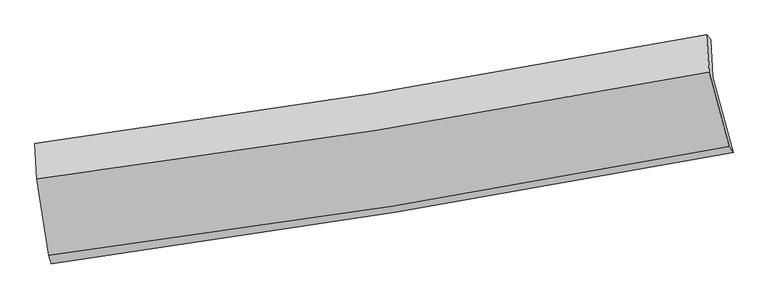
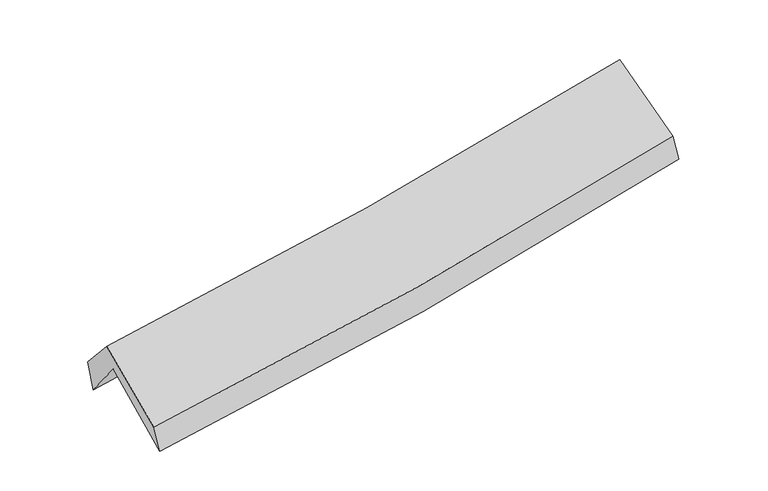
"""IFC4 building model written with IfcOpenShell, lengths in millimetres: proxy geometry."""

from ifc_helpers import new_model, si_unit, frame, origin, place, context, project, spatial, source, transform, mapped, element, save
from ifc_brep_helpers import plane_surface, spline_curve, spline_surface, advanced_brep


def generic_models_2873cad7(model_context):
    return source(origin(), model_context, "Body", "AdvancedBrep", [
        advanced_brep(
        [(-2221.9034408, -2463.943824, 1506.0271552), (-2302.7377716, -1954.1747755, 1922.5032554), (2235.4449651, -1202.2145765, 2338.1840766), (2374.1810625, -1711.0885855, 1919.9542348), (-2315.1084077, -1701.3639317, 1597.9624483), (2223.0857413, -949.6369571, 2013.9426667), (-2332.0242468, -1650.7887117, 1809.7355098), (2195.0517177, -918.2266955, 2223.0257222), (-2318.4067294, -1891.4091324, 2083.3069035), (2213.2259424, -1171.1759223, 2493.181216), (-2237.5025882, -2407.0542645, 1678.5457339), (2347.7375077, -1673.4216747, 2103.1533575)],
        [
            (0, 1),
            (1, 2, spline_curve(3, [(-2302.7377716, -1954.1747755, 1922.5032554), (-1539.984068213, -1843.639129267, 1969.350869183), (-779.583942309, -1725.550801171, 2027.517576651), (733.122654931, -1474.830070512, 2166.178758639), (1485.450107942, -1342.264998831, 2246.572324571), (2235.4449651, -1202.2145765, 2338.1840766)], [4, 2, 4], [0.0, 7.642276299869668, 15.250411468111574])),
            (2, 3),
            (3, 0, spline_curve(3, [(2374.1810625, -1711.0885855, 1919.9542348), (1615.573292673, -1856.714755731, 1824.204027248), (854.126175325, -1992.148195564, 1741.882092498), (-677.876452371, -2243.191625947, 1603.785611388), (-1448.457502772, -2358.709932055, 1548.131853092), (-2221.9034408, -2463.943824, 1506.0271552)], [4, 2, 4], [0.0, 7.6081351682419065, 15.250411468111574])),
            (1, 4),
            (4, 5, spline_curve(3, [(-2315.1084077, -1701.3639317, 1597.9624483), (-1552.043858878, -1597.180835246, 1652.965019399), (-791.487702954, -1482.281193684, 1715.225138845), (721.22131815, -1231.609999302, 1853.949911684), (1473.396545227, -1095.933982538, 1930.349864878), (2223.0857413, -949.6369571, 2013.9426667)], [4, 2, 4], [0.0, 7.595025776835598, 15.156121509193794])),
            (5, 2),
            (4, 6),
            (6, 7, spline_curve(3, [(-2332.0242468, -1650.7887117, 1809.7355098), (-1571.340012599, -1548.228788096, 1865.239732802), (-812.902017791, -1435.743154856, 1927.524944988), (696.103278924, -1191.467329802, 2065.348800426), (1446.690605701, -1059.765624402, 2140.82699261), (2195.0517177, -918.2266955, 2223.0257222)], [4, 2, 4], [0.0, 7.5831935664400865, 15.132509947660498])),
            (7, 5),
            (6, 8),
            (8, 9, spline_curve(3, [(-2318.4067294, -1891.4091324, 2083.3069035), (-1556.553366636, -1792.88491766, 2134.566284269), (-797.150688802, -1683.444627407, 2194.44789234), (713.371687844, -1443.26957544, 2331.149529188), (1464.513233713, -1312.632129125, 2407.892691893), (2213.2259424, -1171.1759223, 2493.181216)], [4, 2, 4], [0.0, 7.573405524260108, 15.112977590434099])),
            (9, 7),
            (8, 10),
            (10, 11, spline_curve(3, [(-2237.5025882, -2407.0542645, 1678.5457339), (-1465.891185071, -2310.198840422, 1731.371538426), (-697.133100284, -2200.469457472, 1793.267884461), (831.254828273, -1955.810491324, 1934.884621421), (1590.910108406, -1820.995677837, 2014.524149936), (2347.7375077, -1673.4216747, 2103.1533575)], [4, 2, 4], [0.0, 7.621802414765218, 15.209555163007948])),
            (11, 9),
            (10, 0),
            (3, 11),
        ],
        [
            spline_surface(3, 3, [[(-2221.9034408, -2463.943824, 1506.0271552), (-1448.457502766, -2358.709932143, 1548.131853034), (-677.876452386, -2243.19162584, 1603.785611432), (854.126175339, -1992.148195671, 1741.882092454), (1615.573292727, -1856.714755802, 1824.204027277), (2374.1810625, -1711.0885855, 1919.9542348)], [(-2248.848217725, -2294.020807829, 1644.852521917), (-1478.966357894, -2187.019664508, 1688.538191721), (-711.778949005, -2070.644684299, 1745.02959985), (813.791668515, -1819.708820625, 1883.314314454), (1572.198897771, -1685.231503495, 1964.993459734), (2327.935696706, -1541.463915828, 2059.364182081)], [(-2275.792994675, -2124.097791671, 1783.677888683), (-1509.475213045, -2015.329396886, 1828.944530458), (-745.681445624, -1898.097742724, 1886.273588343), (773.45716169, -1647.269445545, 2024.746536529), (1528.824502796, -1513.748251204, 2105.78289215), (2281.690330894, -1371.839246172, 2198.774129319)], [(-2302.7377716, -1954.1747755, 1922.5032554), (-1539.984068173, -1843.639129251, 1969.350869145), (-779.583942244, -1725.550801184, 2027.517576761), (733.122654866, -1474.830070499, 2166.178758529), (1485.450107841, -1342.264998897, 2246.572324607), (2235.4449651, -1202.2145765, 2338.1840766)]], [4, 4], [4, 2, 4], [0.0, 2.2250848213119454], [0.0, 7.642276299869668, 15.250411468111574]),
            spline_surface(3, 3, [[(-2302.7377716, -1954.1747755, 1922.5032554), (-1539.984068173, -1843.639129251, 1969.350869145), (-779.583942244, -1725.550801184, 2027.517576761), (733.122654866, -1474.830070499, 2166.178758529), (1485.450107841, -1342.264998897, 2246.572324607), (2235.4449651, -1202.2145765, 2338.1840766)], [(-2306.861316962, -1869.904494233, 1814.322986379), (-1544.00399841, -1761.486364569, 1863.888919209), (-783.551862473, -1644.460932044, 1923.420097477), (729.15554261, -1393.756713392, 2062.102476235), (1481.432253602, -1260.154660069, 2141.164838004), (2231.325223813, -1118.022036696, 2230.103606611)], [(-2310.984862338, -1785.634212967, 1706.142717321), (-1548.023928662, -1679.333599889, 1758.426969234), (-787.519782687, -1563.371062925, 1819.32261818), (725.188430369, -1312.683356308, 1958.026193926), (1477.414399423, -1178.044321253, 2035.757351468), (2227.205482587, -1033.829496904, 2122.023136689)], [(-2315.1084077, -1701.3639317, 1597.9624483), (-1552.043858899, -1597.180835206, 1652.965019298), (-791.487702916, -1482.281193785, 1715.225138896), (721.221318112, -1231.609999201, 1853.949911632), (1473.396545184, -1095.933982425, 1930.349864864), (2223.0857413, -949.6369571, 2013.9426667)]], [4, 4], [4, 2, 4], [0.0, 1.299215230408942], [0.0, 7.595025776835598, 15.156121509193794]),
            spline_surface(3, 3, [[(-2315.1084077, -1701.3639317, 1597.9624483), (-1552.043858899, -1597.180835206, 1652.965019298), (-791.487702916, -1482.281193785, 1715.225138896), (721.221318112, -1231.609999201, 1853.949911632), (1473.396545184, -1095.933982425, 1930.349864864), (2223.0857413, -949.6369571, 2013.9426667)], [(-2320.747020764, -1684.505525053, 1668.553468808), (-1558.475910125, -1580.863486184, 1723.723257142), (-798.625807883, -1466.768514154, 1785.991740906), (712.848638348, -1218.229109441, 1924.416207931), (1464.494565345, -1083.877863086, 2000.508907437), (2213.741066788, -939.166869889, 2083.637018529)], [(-2326.385633736, -1667.647118347, 1739.144489292), (-1564.907961258, -1564.546137104, 1794.481494961), (-805.763912785, -1451.255834445, 1856.758342897), (704.475958649, -1204.848219604, 1994.882504209), (1455.592585444, -1071.82174378, 2070.667950022), (2204.396392212, -928.696782711, 2153.331370371)], [(-2332.0242468, -1650.7887117, 1809.7355098), (-1571.340012483, -1548.228788081, 1865.239732805), (-812.902017752, -1435.743154814, 1927.524944907), (696.103278885, -1191.467329844, 2065.348800507), (1446.690605605, -1059.765624441, 2140.826992594), (2195.0517177, -918.2266955, 2223.0257222)]], [4, 4], [4, 2, 4], [0.0, 0.7135472516548643], [0.0, 7.5831935664400865, 15.132509947660498]),
            spline_surface(3, 3, [[(-2332.0242468, -1650.7887117, 1809.7355098), (-1571.340012483, -1548.228788081, 1865.239732805), (-812.902017752, -1435.743154814, 1927.524944907), (696.103278885, -1191.467329844, 2065.348800507), (1446.690605605, -1059.765624441, 2140.826992594), (2195.0517177, -918.2266955, 2223.0257222)], [(-2327.485074325, -1730.995518591, 1900.925974356), (-1566.411130531, -1629.780831293, 1955.015249961), (-807.651574718, -1518.310312313, 2016.499260761), (701.859415193, -1275.40141171, 2153.949043392), (1452.631481638, -1144.054459376, 2229.848892356), (2201.109792595, -1002.543104456, 2313.077553483)], [(-2322.945901875, -1811.202325509, 1992.116438944), (-1561.482248603, -1711.332874534, 2044.79076715), (-802.401131742, -1600.877469859, 2105.473576565), (707.615551443, -1359.335493623, 2242.549286224), (1458.572357687, -1228.343294241, 2318.870792069), (2207.167867505, -1086.859513344, 2403.129384717)], [(-2318.4067294, -1891.4091324, 2083.3069035), (-1556.55336665, -1792.884917746, 2134.566284307), (-797.150688708, -1683.444627358, 2194.447892419), (713.371687751, -1443.269575489, 2331.149529109), (1464.51323372, -1312.632129176, 2407.892691831), (2213.2259424, -1171.1759223, 2493.181216)]], [4, 4], [4, 2, 4], [0.0, 1.199163109820244], [0.0, 7.573405524260108, 15.112977590434099]),
            spline_surface(3, 3, [[(-2318.4067294, -1891.4091324, 2083.3069035), (-1556.55336665, -1792.884917746, 2134.566284307), (-797.150688708, -1683.444627358, 2194.447892419), (713.371687751, -1443.269575489, 2331.149529109), (1464.51323372, -1312.632129176, 2407.892691831), (2213.2259424, -1171.1759223, 2493.181216)], [(-2291.438682331, -2063.290843109, 1948.386513639), (-1526.332639497, -1965.322892004, 2000.168035692), (-763.811492546, -1855.786237366, 2060.721223078), (752.666067891, -1614.116547447, 2199.061226552), (1506.645525302, -1482.086645412, 2276.769844568), (2258.063130819, -1338.591173093, 2363.17192984)], [(-2264.470635269, -2235.172553791, 1813.466123761), (-1496.111912349, -2137.760866237, 1865.769787061), (-730.472296364, -2028.1278474, 1926.99455376), (791.960448051, -1784.963519431, 2066.972924019), (1548.777816929, -1651.541161669, 2145.646997284), (2302.900319281, -1506.006423907, 2233.16264366)], [(-2237.5025882, -2407.0542645, 1678.5457339), (-1465.891185195, -2310.198840495, 1731.371538446), (-697.133100202, -2200.469457408, 1793.267884419), (831.254828192, -1955.810491388, 1934.884621462), (1590.910108511, -1820.995677905, 2014.524150022), (2347.7375077, -1673.4216747, 2103.1533575)]], [4, 4], [4, 2, 4], [0.0, 2.1660043019230613], [0.0, 7.621802414765218, 15.209555163007948]),
            spline_surface(3, 3, [[(-2237.5025882, -2407.0542645, 1678.5457339), (-1465.891185195, -2310.198840495, 1731.371538446), (-697.133100202, -2200.469457408, 1793.267884419), (831.254828192, -1955.810491388, 1934.884621462), (1590.910108511, -1820.995677905, 2014.524150022), (2347.7375077, -1673.4216747, 2103.1533575)], [(-2232.302872392, -2426.017450987, 1621.039541001), (-1460.079957711, -2326.369204364, 1670.29164331), (-690.714217583, -2214.710180213, 1730.107126761), (838.878610588, -1967.923059477, 1870.550445131), (1599.131169929, -1832.902037208, 1951.084109096), (2356.55202598, -1685.977311638, 2042.086983256)], [(-2227.103156608, -2444.980637513, 1563.533348099), (-1454.26873025, -2342.539568273, 1609.211748171), (-684.295335005, -2228.950903035, 1666.94636909), (846.502392943, -1980.035627582, 1806.216268786), (1607.352231308, -1844.808396499, 1887.644068202), (2365.36654422, -1698.532948562, 1981.020609044)], [(-2221.9034408, -2463.943824, 1506.0271552), (-1448.457502766, -2358.709932143, 1548.131853034), (-677.876452386, -2243.19162584, 1603.785611432), (854.126175339, -1992.148195671, 1741.882092454), (1615.573292727, -1856.714755802, 1824.204027277), (2374.1810625, -1711.0885855, 1919.9542348)]], [4, 4], [4, 2, 4], [0.0, 0.64439668123502], [0.0, 7.678744538861201, 15.323185027757383]),
            plane_surface(frame((2264.7878228, -1270.9607353, 2181.906879), z_axis=(0.9779374673240762, 0.18122840620288036, 0.10389694311641436), x_axis=(0.20694922433060764, -0.7727169680947573, -0.6000670843892421))),
            plane_surface(frame((-2287.9471974, -2011.4557733, 1766.3468344), z_axis=(-0.9920147182419385, -0.11500544822502606, -0.05177398642106497), x_axis=(-0.08555680864588701, 0.3120227676922688, 0.9462144708975803))),
        ],
        [
            (0, [[1, 2, 3, 4]]),
            (1, [[5, 6, 7, -2]]),
            (2, [[8, 9, 10, -6]]),
            (3, [[11, 12, 13, -9]]),
            (4, [[14, 15, 16, -12]]),
            (5, [[17, -4, 18, -15]]),
            (6, [[-16, -18, -3, -7, -10, -13]]),
            (7, [[-17, -14, -11, -8, -5, -1]]),
        ],
    ),
    ])


if __name__ == "__main__":
    model = new_model("IFC4")
    model_context = context("Model", 3, world=origin())
    ifc_project = project(units=[si_unit("LENGTHUNIT", "METRE", prefix="MILLI")], contexts=[model_context])
    site = spatial("IfcSite", under=ifc_project)
    building = spatial("IfcBuilding", under=site)
    placement = place(None, origin())
    generic_models_shape = generic_models_2873cad7(model_context)
    element("IfcBuildingElementProxy", 1, Name="Generic Models", at=placement, inside=building, context=model_context, shape_type="MappedRepresentation", body=[
        mapped(generic_models_shape, transform((0.0, 0.0, 0.0), x_axis=(1.0, 0.0, 0.0), y_axis=(0.0, 1.0, 0.0), z_axis=(0.0, 0.0, 1.0))),
    ])
    save(model, "model.ifc")
